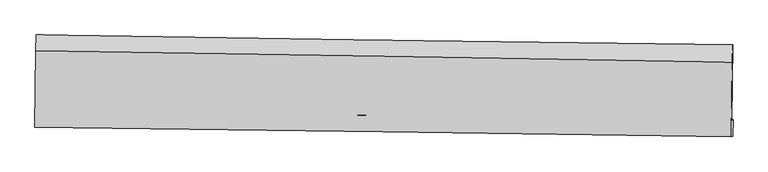
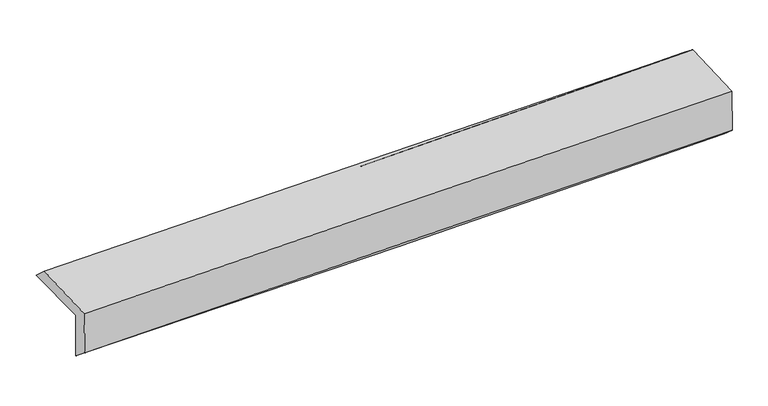
"""IFC4 building model written with IfcOpenShell, lengths in millimetres: proxy geometry."""

from ifc_helpers import new_model, si_unit, frame, origin, place, context, project, spatial, source, transform, mapped, element, save
from ifc_brep_helpers import plane_surface, spline_curve, spline_surface, advanced_brep


def generic_models_f7cf03e2(model_context):
    return source(origin(), model_context, "Body", "AdvancedBrep", [
        advanced_brep(
        [(-3031.7531827, -1755.828393, 1973.1192507), (-3022.6984169, -1102.6920961, 1971.430571), (3017.8426742, -1189.8848014, 2124.5135929), (3008.978511, -1847.6151543, 2115.9093937), (-3021.4390037, -1745.0537837, 1561.1802336), (3019.1730741, -1836.8317032, 1708.8225486), (-3026.6283387, -1897.5190742, 1686.2090208), (3014.2383936, -1979.5801997, 1828.9656263), (-3036.3946978, -1902.5280688, 2079.1727705), (3004.3477153, -1984.6529554, 2226.9315404), (-3027.7312677, -1240.7014485, 2098.2020052), (3012.8043362, -1338.6251315, 2245.5065187)],
        [
            (0, 1),
            (1, 2, spline_curve(3, [(-3022.6984169, -1102.6920961, 1971.430571), (-2015.667357274, -1120.029209825, 1984.24384408), (-1008.773156045, -1135.963828104, 2003.407408172), (1004.740540746, -1165.028060625, 2054.435094772), (2011.360036435, -1178.157677205, 2086.29920441), (3017.8426742, -1189.8848014, 2124.5135929)], [4, 2, 4], [0.0, 9.913494869875729, 19.82698000407427])),
            (2, 3),
            (3, 0, spline_curve(3, [(3008.978511, -1847.6151543, 2115.9093937), (2002.61870429, -1829.896667323, 2076.067921087), (996.044740548, -1813.388529863, 2044.248008189), (-1017.532490479, -1782.792940714, 1996.65127804), (-2024.535757632, -1768.705490481, 1980.874476619), (-3031.7531827, -1755.828393, 1973.1192507)], [4, 2, 4], [0.0, 9.91348513419854, 19.82698000407427])),
            (4, 0),
            (3, 5),
            (5, 4, spline_curve(3, [(3019.1730741, -1836.8317032, 1708.8225486), (2012.707347651, -1819.202693305, 1673.22325994), (1006.090391578, -1802.740031715, 1643.120092799), (-1007.446967289, -1772.147389263, 1593.905977036), (-2014.367370655, -1758.017411323, 1574.795039334), (-3021.4390037, -1745.0537837, 1561.1802336)], [4, 2, 4], [0.0, 9.91346936864743, 19.826948472956566])),
            (6, 4),
            (5, 7),
            (7, 6, spline_curve(3, [(3014.2383936, -1979.5801997, 1828.9656263), (2007.43955667, -1963.878114702, 1805.787509184), (1000.634824283, -1949.188647983, 1782.302072647), (-1012.987420035, -1921.834937385, 1734.716538187), (-2019.804931631, -1909.170695828, 1710.616439408), (-3026.6283387, -1897.5190742, 1686.2090208)], [4, 2, 4], [0.0, 9.913277911172235, 19.826565557818153])),
            (8, 6),
            (7, 9),
            (9, 8, spline_curve(3, [(3004.3477153, -1984.6529554, 2226.9315404), (1997.611003734, -1968.919007213, 2201.253712433), (990.847693946, -1954.208295675, 2176.101573415), (-1022.733110078, -1926.833331283, 2126.8486494), (-2029.550604959, -1914.169081013, 2102.747864854), (-3036.3946978, -1902.5280688, 2079.1727705)], [4, 2, 4], [0.0, 9.913236644325147, 19.82648302408345])),
            (10, 8),
            (9, 11),
            (11, 10, spline_curve(3, [(3012.8043362, -1338.6251315, 2245.5065187), (2006.079582101, -1321.977717757, 2219.854955378), (999.339485137, -1305.493707692, 2194.753803415), (-1014.172382635, -1272.85247968, 2145.652297675), (-2020.944153666, -1256.695262118, 2121.651945215), (-3027.7312677, -1240.7014485, 2098.2020052)], [4, 2, 4], [0.0, 9.9132384880681, 19.826486711571167])),
            (1, 10),
            (11, 2),
        ],
        [
            spline_surface(3, 3, [[(-3031.7531827, -1755.828393, 1973.1192507), (-2024.535757731, -1768.705490622, 1980.874476698), (-1017.532490366, -1782.792940549, 1996.651278066), (996.044740436, -1813.388530027, 2044.248008162), (2002.618704326, -1829.896667199, 2076.067921113), (3008.978511, -1847.6151543, 2115.9093937)], [(-3028.734927443, -1538.116294053, 1972.556357459), (-2021.57962423, -1552.480063664, 1981.997599111), (-1014.612712248, -1567.183236428, 1998.903321474), (998.943340543, -1597.268373524, 2047.643703681), (2005.532481756, -1612.650337188, 2079.47834884), (3011.933232075, -1628.371703339, 2118.777460071)], [(-3025.716672157, -1320.404195047, 1971.993464241), (-2018.623490701, -1336.254636649, 1983.120721549), (-1011.692934153, -1351.573532319, 2001.15536485), (1001.841940629, -1381.148217034, 2051.039399167), (2008.44625916, -1395.404007159, 2082.888776653), (3014.887953125, -1409.128252361, 2121.645526529)], [(-3022.6984169, -1102.6920961, 1971.430571), (-2015.6673572, -1120.02920969, 1984.243843962), (-1008.773156035, -1135.963828198, 2003.407408259), (1004.740540736, -1165.028060531, 2054.435094685), (2011.360036591, -1178.157677148, 2086.299204381), (3017.8426742, -1189.8848014, 2124.5135929)]], [4, 4], [4, 2, 4], [0.0, 2.125029532993474], [0.0, 9.913494869875729, 19.82698000407427]),
            spline_surface(3, 3, [[(-3021.4390037, -1745.0537837, 1561.1802336), (-2014.36737071, -1758.017411318, 1574.795039235), (-1007.446967335, -1772.147389421, 1593.905977017), (1006.090391624, -1802.740031557, 1643.120092817), (2012.707347537, -1819.202693263, 1673.223260026), (3019.1730741, -1836.8317032, 1708.8225486)], [(-3024.877063369, -1748.645320136, 1698.493239304), (-2017.756833052, -1761.580104421, 1710.154851727), (-1010.808808359, -1775.695906471, 1728.154410695), (1002.741841214, -1806.289531054, 1776.829397927), (2009.344466464, -1822.767351232, 1807.504813729), (3015.774886397, -1840.426186891, 1844.518163641)], [(-3028.315123031, -1752.236856564, 1835.806244996), (-2021.146295389, -1765.142797518, 1845.514664206), (-1014.170649342, -1779.244423499, 1862.402844389), (999.393290845, -1809.83903053, 1910.538703053), (2005.981585399, -1826.332009229, 1941.78636741), (3012.376698703, -1844.020670609, 1980.213778659)], [(-3031.7531827, -1755.828393, 1973.1192507), (-2024.535757731, -1768.705490622, 1980.874476698), (-1017.532490366, -1782.792940549, 1996.651278066), (996.044740436, -1813.388530027, 2044.248008162), (2002.618704326, -1829.896667199, 2076.067921113), (3008.978511, -1847.6151543, 2115.9093937)]], [4, 4], [4, 2, 4], [0.0, 1.3195655228443313], [0.0, 9.913479104309136, 19.826948472956566]),
            spline_surface(3, 3, [[(-3026.6283387, -1897.5190742, 1686.2090208), (-2019.804931631, -1909.170695685, 1710.61643933), (-1012.987419915, -1921.834937439, 1734.716538134), (1000.634824163, -1949.188647929, 1782.3020727), (2007.439556568, -1963.878114673, 1805.787509058), (3014.2383936, -1979.5801997, 1828.9656263)], [(-3024.898560363, -1846.697310674, 1644.532758388), (-2017.99241132, -1858.786267536, 1665.342639286), (-1011.140602381, -1871.939088082, 1687.779684444), (1002.453346657, -1900.372442454, 1735.908079421), (2009.195486894, -1915.652974188, 1761.599426037), (3015.883287104, -1931.997367518, 1788.917933723)], [(-3023.168782037, -1795.875547226, 1602.856496012), (-2016.179891021, -1808.401839467, 1620.068839279), (-1009.293784869, -1822.043238778, 1640.842830708), (1004.27186913, -1851.556237032, 1689.514086096), (2010.95141721, -1867.427833748, 1717.411343047), (3017.528180596, -1884.414535382, 1748.870241177)], [(-3021.4390037, -1745.0537837, 1561.1802336), (-2014.36737071, -1758.017411318, 1574.795039235), (-1007.446967335, -1772.147389421, 1593.905977017), (1006.090391624, -1802.740031557, 1643.120092817), (2012.707347537, -1819.202693263, 1673.223260026), (3019.1730741, -1836.8317032, 1708.8225486)]], [4, 4], [4, 2, 4], [0.0, 0.6687872948530952], [0.0, 9.913287646645918, 19.826565557818153]),
            spline_surface(3, 3, [[(-3036.3946978, -1902.5280688, 2079.1727705), (-2029.550604915, -1914.169080893, 2102.747864953), (-1022.73311022, -1926.833331368, 2126.848649238), (990.847694088, -1954.20829559, 2176.101573577), (1997.611003772, -1968.91900729, 2201.253712579), (3004.3477153, -1984.6529554, 2226.9315404)], [(-3033.139244761, -1900.858403954, 1948.184853963), (-2026.302047148, -1912.502952511, 1972.037389775), (-1019.484546773, -1925.167200073, 1996.137945523), (994.110070792, -1952.535079718, 2044.835073271), (2000.887188039, -1967.23870976, 2069.431644763), (3007.644608068, -1982.962036843, 2094.276235725)], [(-3029.883791739, -1899.188739046, 1817.196937337), (-2023.053489398, -1910.836824067, 1841.326914508), (-1016.235983362, -1923.501068734, 1865.427241849), (997.372447459, -1950.861863802, 1913.568573006), (2004.163372301, -1965.558412202, 1937.609576873), (3010.941500832, -1981.271118257, 1961.620930975)], [(-3026.6283387, -1897.5190742, 1686.2090208), (-2019.804931631, -1909.170695685, 1710.61643933), (-1012.987419915, -1921.834937439, 1734.716538134), (1000.634824163, -1949.188647929, 1782.3020727), (2007.439556568, -1963.878114673, 1805.787509058), (3014.2383936, -1979.5801997, 1828.9656263)]], [4, 4], [4, 2, 4], [0.0, 1.2897607029994693], [0.0, 9.913246379758304, 19.82648302408345]),
            spline_surface(3, 3, [[(-3027.7312677, -1240.7014485, 2098.2020052), (-2020.944153772, -1256.695261963, 2121.651945305), (-1014.172382731, -1272.852479703, 2145.652297757), (999.339485233, -1305.49370767, 2194.753803332), (2006.079582104, -1321.977717638, 2219.854955392), (3012.8043362, -1338.6251315, 2245.5065187)], [(-3030.619077728, -1461.310321911, 2091.858926958), (-2023.812970814, -1475.853201584, 2115.35058518), (-1017.025958582, -1490.846096901, 2139.384414926), (996.508888163, -1521.73190362, 2188.536393423), (2003.256722632, -1537.6248142, 2213.654541126), (3009.985462539, -1553.967739478, 2239.314859271)], [(-3033.506887772, -1681.919195389, 2085.515848742), (-2026.681787873, -1695.011141272, 2109.049225079), (-1019.879534369, -1708.83971417, 2133.116532069), (993.678291158, -1737.97009964, 2182.318983487), (2000.433863244, -1753.271910728, 2207.454126846), (3007.166588961, -1769.310347422, 2233.123199829)], [(-3036.3946978, -1902.5280688, 2079.1727705), (-2029.550604915, -1914.169080893, 2102.747864953), (-1022.73311022, -1926.833331368, 2126.848649238), (990.847694088, -1954.20829559, 2176.101573577), (1997.611003772, -1968.91900729, 2201.253712579), (3004.3477153, -1984.6529554, 2226.9315404)]], [4, 4], [4, 2, 4], [0.0, 2.1380337429015093], [0.0, 9.913248223503068, 19.826486711571167]),
            spline_surface(3, 3, [[(-3022.6984169, -1102.6920961, 1971.430571), (-2015.6673572, -1120.02920969, 1984.243843962), (-1008.773156035, -1135.963828198, 2003.407408259), (1004.740540736, -1165.028060531, 2054.435094685), (2011.360036591, -1178.157677148, 2086.299204381), (3017.8426742, -1189.8848014, 2124.5135929)], [(-3024.376033837, -1148.695213573, 2013.687715728), (-2017.426289395, -1165.584560455, 2030.046544405), (-1010.572898259, -1181.593378723, 2050.822371409), (1002.94018891, -1211.849942934, 2101.207997551), (2009.599885111, -1226.097690643, 2130.817788053), (3016.163228216, -1239.464911431, 2164.844568168)], [(-3026.053650763, -1194.698331027, 2055.944860472), (-2019.185221578, -1211.139911199, 2075.849244863), (-1012.372640507, -1227.222929177, 2098.237334607), (1001.139837059, -1258.671825266, 2147.980900466), (2007.839733583, -1274.037704144, 2175.33637172), (3014.483782184, -1289.045021469, 2205.175543432)], [(-3027.7312677, -1240.7014485, 2098.2020052), (-2020.944153772, -1256.695261963, 2121.651945305), (-1014.172382731, -1272.852479703, 2145.652297757), (999.339485233, -1305.49370767, 2194.753803332), (2006.079582104, -1321.977717638, 2219.854955392), (3012.8043362, -1338.6251315, 2245.5065187)]], [4, 4], [4, 2, 4], [0.0, 0.6497476234425161], [0.0, 9.913309681808935, 19.826609628122547]),
            plane_surface(frame((3012.8974507, -1696.1983242, 2041.7748701), z_axis=(0.9996005418693383, -0.013794201318328552, 0.024667320578346863), x_axis=(0.02484339006474643, 0.01274173964295479, -0.9996101510293711))),
            plane_surface(frame((-3027.7741513, -1607.3871441, 1894.885642), z_axis=(-0.9996005418693289, 0.013794201320006957, -0.024667320577787612), x_axis=(-0.013862138018783941, -0.9999005738979941, 0.0025852365482229504))),
        ],
        [
            (0, [[1, 2, 3, 4]]),
            (1, [[5, -4, 6, 7]]),
            (2, [[8, -7, 9, 10]]),
            (3, [[11, -10, 12, 13]]),
            (4, [[14, -13, 15, 16]]),
            (5, [[17, -16, 18, -2]]),
            (6, [[-12, -9, -6, -3, -18, -15]]),
            (7, [[-1, -5, -8, -11, -14, -17]]),
        ],
    ),
    ])


if __name__ == "__main__":
    model = new_model("IFC4")
    model_context = context("Model", 3, world=origin())
    ifc_project = project(units=[si_unit("LENGTHUNIT", "METRE", prefix="MILLI")], contexts=[model_context])
    site = spatial("IfcSite", under=ifc_project)
    building = spatial("IfcBuilding", under=site)
    placement = place(None, origin())
    generic_models_shape = generic_models_f7cf03e2(model_context)
    element("IfcBuildingElementProxy", 1, Name="Generic Models", at=placement, inside=building, context=model_context, shape_type="MappedRepresentation", body=[
        mapped(generic_models_shape, transform((0.0, 0.0, 0.0), x_axis=(1.0, 0.0, 0.0), y_axis=(0.0, 1.0, 0.0), z_axis=(0.0, 0.0, 1.0))),
    ])
    save(model, "model.ifc")
